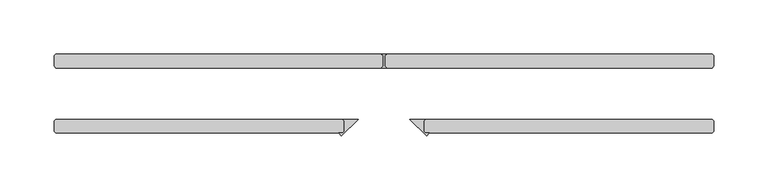
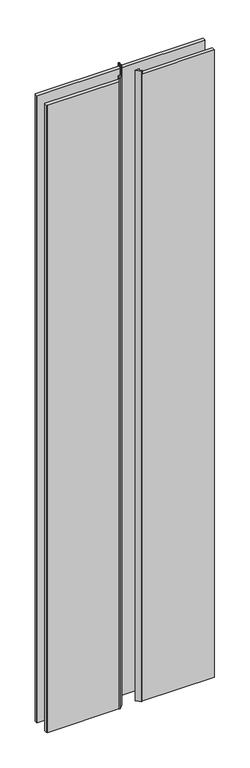
"""IFC4 building model written with IfcOpenShell, lengths in millimetres: plate geometry."""

from ifc_helpers import new_model, si_unit, frame, origin, place, context, project, spatial, polyline, outline, extrude, source, transform, mapped, element, save


def plate_bb64bde5(model_context):
    return source(origin(), model_context, "Body", "SweptSolid", [
        extrude(outline(polyline([(-36.5125, -25.4), (-38.1, -23.8125), (-23.8125, -23.8125), (-39.222532, -39.222532), (-41.932564, -36.5125), (-38.1, -36.5125), (-36.5125, -34.925), (-36.5125, -25.4)])), frame((0.0, 0.0, 6.35), z_axis=(0.0, 0.0, 1.0), x_axis=(1.0, 0.0, 0.0)), (0.0, 0.0, 1.0), 2411.4125023),
        extrude(outline(polyline([(36.5125, -25.4), (36.5125, -34.925), (38.1, -36.5125), (41.932564, -36.5125), (39.222532, -39.222532), (23.8125, -23.8125), (38.1, -23.8125), (36.5125, -25.4)])), frame((0.0, 0.0, 6.35), z_axis=(0.0, 0.0, 1.0), x_axis=(1.0, 0.0, 0.0)), (0.0, 0.0, 1.0), 2411.4125023),
        extrude(outline(polyline([(-302.41875, -23.8125), (-38.1, -23.8125), (-36.5125, -25.4), (-36.5125, -34.925), (-38.1, -36.5125), (-302.41875, -36.5125), (-304.00625, -34.925), (-304.00625, -25.4), (-302.41875, -23.8125)])), frame((0.0, 0.0, 6.35), z_axis=(0.0, 0.0, 1.0), x_axis=(1.0, 0.0, 0.0)), (0.0, 0.0, 1.0), 2398.7125023),
        extrude(outline(polyline([(-302.41875, 36.5125), (-2.38125, 36.5125), (-0.79375, 34.925), (-0.79375, 25.4), (-2.38125, 23.8125), (-302.41875, 23.8125), (-304.00625, 25.4), (-304.00625, 34.925), (-302.41875, 36.5125)])), frame((0.0, 0.0, 6.35), z_axis=(0.0, 0.0, 1.0), x_axis=(1.0, 0.0, 0.0)), (0.0, 0.0, 1.0), 2398.7125023),
        extrude(outline(polyline([(2.38125, 36.5125), (0.79375, 34.925), (0.79375, 25.4), (2.38125, 23.8125), (-2.38125, 23.8125), (-0.79375, 25.4), (-0.79375, 34.925), (-2.38125, 36.5125), (2.38125, 36.5125)])), frame((0.0, 0.0, 6.35), z_axis=(0.0, 0.0, 1.0), x_axis=(1.0, 0.0, 0.0)), (0.0, 0.0, 1.0), 2411.4125023),
        extrude(outline(polyline([(302.41875, -23.8125), (304.00625, -25.4), (304.00625, -34.925), (302.41875, -36.5125), (38.1, -36.5125), (36.5125, -34.925), (36.5125, -25.4), (38.1, -23.8125), (302.41875, -23.8125)])), frame((0.0, 0.0, 6.35), z_axis=(0.0, 0.0, 1.0), x_axis=(1.0, 0.0, 0.0)), (0.0, 0.0, 1.0), 2398.7125023),
        extrude(outline(polyline([(302.41875, 36.5125), (304.00625, 34.925), (304.00625, 25.4), (302.41875, 23.8125), (2.38125, 23.8125), (0.79375, 25.4), (0.79375, 34.925), (2.38125, 36.5125), (302.41875, 36.5125)])), frame((0.0, 0.0, 6.35), z_axis=(0.0, 0.0, 1.0), x_axis=(1.0, 0.0, 0.0)), (0.0, 0.0, 1.0), 2398.7125023),
    ])


if __name__ == "__main__":
    model = new_model("IFC4")
    model_context = context("Model", 3, world=origin())
    ifc_project = project(units=[si_unit("LENGTHUNIT", "METRE", prefix="MILLI")], contexts=[model_context])
    site = spatial("IfcSite", under=ifc_project)
    building = spatial("IfcBuilding", under=site)
    placement = place(None, origin())
    plate_shape = plate_bb64bde5(model_context)
    element("IfcPlate", 1, at=placement, inside=building, context=model_context, shape_type="MappedRepresentation", body=[
        mapped(plate_shape, transform((0.0, 0.0, 0.0), x_axis=(1.0, 0.0, 0.0), y_axis=(0.0, 1.0, 0.0), z_axis=(0.0, 0.0, 1.0))),
    ])
    save(model, "model.ifc")
